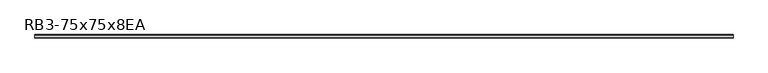
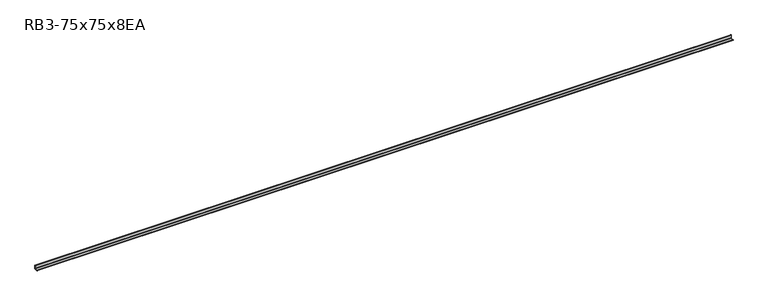
"""IFC4 building model written with IfcOpenShell, lengths in millimetres: member geometry, RB3-75x75x8EA."""

from ifc_helpers import new_model, si_unit, point, frame, frame_2d, origin, place, context, project, spatial, polyline, circle_curve, trimmed, segment, composite_curve, outline, extrude, source, transform, mapped, element, save


def rb3_75x75x8ea_364dfa22(model_context):
    return source(origin(), model_context, "Body", "SweptSolid", [
        extrude(outline(composite_curve([segment(polyline([(21.3, -21.3), (-53.7, -21.3), (-53.7, -18.3)]), True, "CONTINUOUS"), segment(trimmed(circle_curve(frame_2d((-48.7, -18.3)), 5.0), [point((-53.7, -18.3))], [point((-48.7, -13.3))], False, "CARTESIAN"), True, "CONTINUOUS"), segment(polyline([(-48.7, -13.3), (5.3, -13.3)]), True, "CONTINUOUS"), segment(trimmed(circle_curve(frame_2d((5.3, -5.3)), 8.0), [point((5.3, -13.3))], [point((13.3, -5.3))], True, "CARTESIAN"), True, "CONTINUOUS"), segment(polyline([(13.3, -5.3), (13.3, 48.7)]), True, "CONTINUOUS"), segment(trimmed(circle_curve(frame_2d((18.3, 48.7)), 5.0), [point((13.3, 48.7))], [point((18.3, 53.7))], False, "CARTESIAN"), True, "CONTINUOUS"), segment(polyline([(18.3, 53.7), (21.3, 53.7), (21.3, -21.3)]), True, "CONTINUOUS")], self_intersect=False)), frame((-7400.0, 0.0, 0.0), z_axis=(1.0, 0.0, 0.0), x_axis=(0.0, 1.0, 0.0)), (0.0, 0.0, 1.0), 14800.0),
    ])


if __name__ == "__main__":
    model = new_model("IFC4")
    model_context = context("Model", 3, world=origin())
    ifc_project = project(units=[si_unit("LENGTHUNIT", "METRE", prefix="MILLI")], contexts=[model_context])
    site = spatial("IfcSite", under=ifc_project)
    building = spatial("IfcBuilding", under=site)
    placement = place(None, origin())
    rb3_75x75x8ea_shape = rb3_75x75x8ea_364dfa22(model_context)
    element("IfcMember", 1, ObjectType="RB3-75x75x8EA", at=placement, inside=building, context=model_context, shape_type="MappedRepresentation", body=[
        mapped(rb3_75x75x8ea_shape, transform((0.0, 0.0, 0.0), x_axis=(1.0, 0.0, 0.0), y_axis=(0.0, 1.0, 0.0), z_axis=(0.0, 0.0, 1.0))),
    ])
    save(model, "model.ifc")
